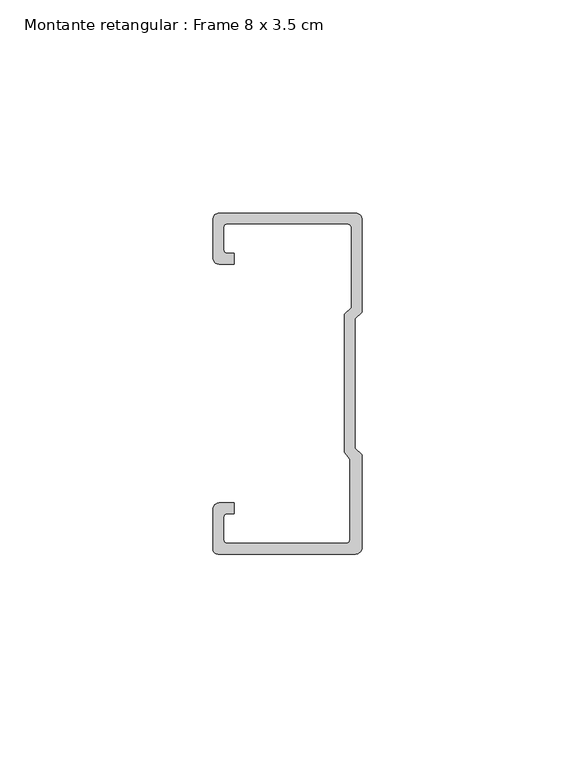
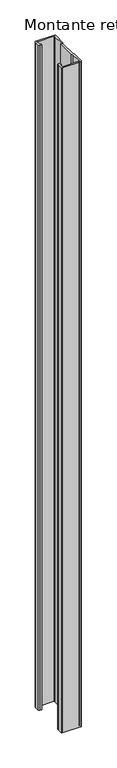
"""IFC4 building model written with IfcOpenShell, lengths in millimetres: member geometry, Montante retangular : Frame 8 x 3.5 cm."""

from ifc_helpers import new_model, si_unit, point, frame, frame_2d, origin, place, context, project, spatial, polyline, circle_curve, trimmed, segment, composite_curve, outline, extrude, source, transform, mapped, element, save


def montante_retangular_frame_8_x_3_5_cm_f2111180(model_context):
    return source(origin(), model_context, "Body", "SweptSolid", [
        extrude(outline(composite_curve([segment(polyline([(-35.0, 29.5276505), (-35.0, 38.5)]), True, "CONTINUOUS"), segment(trimmed(circle_curve(frame_2d((-33.5, 38.5)), 1.5), [point((-35.0, 38.5))], [point((-33.5, 40.0))], False, "CARTESIAN"), True, "CONTINUOUS"), segment(polyline([(-33.5, 40.0), (-1.5, 40.0)]), True, "CONTINUOUS"), segment(trimmed(circle_curve(frame_2d((-1.5, 38.5)), 1.5), [point((-1.5, 40.0))], [point((0.0, 38.5))], False, "CARTESIAN"), True, "CONTINUOUS"), segment(polyline([(0.0, 38.5), (0.0, 16.7622662), (-1.5877131, 15.174553), (-1.5877131, -15.174553), (0.0, -16.7622662), (0.0, -38.5)]), True, "CONTINUOUS"), segment(trimmed(circle_curve(frame_2d((-1.5, -38.5)), 1.5), [point((0.0, -38.5))], [point((-1.5, -40.0))], False, "CARTESIAN"), True, "CONTINUOUS"), segment(polyline([(-1.5, -40.0), (-33.8171833, -40.0)]), True, "CONTINUOUS"), segment(trimmed(circle_curve(frame_2d((-33.8171833, -38.8171833)), 1.1828167), [point((-33.8171833, -40.0))], [point((-35.0, -38.8171833))], False, "CARTESIAN"), True, "CONTINUOUS"), segment(polyline([(-35.0, -38.8171833), (-35.0, -29.5276505)]), True, "CONTINUOUS"), segment(trimmed(circle_curve(frame_2d((-33.5, -29.5276505)), 1.5), [point((-35.0, -29.5276505))], [point((-33.5, -28.0276505))], False, "CARTESIAN"), True, "CONTINUOUS"), segment(polyline([(-33.5, -28.0276505), (-30.0162256, -28.0276505), (-30.0162256, -30.5276505), (-31.5, -30.5276505)]), True, "CONTINUOUS"), segment(trimmed(circle_curve(frame_2d((-31.5, -31.5276505)), 1.0), [point((-31.5, -30.5276505))], [point((-32.5, -31.5276505))], True, "CARTESIAN"), True, "CONTINUOUS"), segment(polyline([(-32.5, -31.5276505), (-32.5, -36.5)]), True, "CONTINUOUS"), segment(trimmed(circle_curve(frame_2d((-31.5, -36.5)), 1.0), [point((-32.5, -36.5))], [point((-31.5, -37.5))], True, "CARTESIAN"), True, "CONTINUOUS"), segment(polyline([(-31.5, -37.5), (-3.807214, -37.5)]), True, "CONTINUOUS"), segment(trimmed(circle_curve(frame_2d((-3.807214, -36.5)), 1.0), [point((-3.807214, -37.5))], [point((-2.807214, -36.5))], True, "CARTESIAN"), True, "CONTINUOUS"), segment(polyline([(-2.807214, -36.5), (-2.807214, -17.7671948), (-4.0877131, -16.1794816), (-4.0877131, 16.2100869), (-2.5, 17.7978001), (-2.5, 36.5)]), True, "CONTINUOUS"), segment(trimmed(circle_curve(frame_2d((-3.5, 36.5)), 1.0), [point((-2.5, 36.5))], [point((-3.5, 37.5))], True, "CARTESIAN"), True, "CONTINUOUS"), segment(polyline([(-3.5, 37.5), (-31.5, 37.5)]), True, "CONTINUOUS"), segment(trimmed(circle_curve(frame_2d((-31.5, 36.5)), 1.0), [point((-31.5, 37.5))], [point((-32.5, 36.5))], True, "CARTESIAN"), True, "CONTINUOUS"), segment(polyline([(-32.5, 36.5), (-32.5, 31.5276505)]), True, "CONTINUOUS"), segment(trimmed(circle_curve(frame_2d((-31.5, 31.5276505)), 1.0), [point((-32.5, 31.5276505))], [point((-31.5, 30.5276505))], True, "CARTESIAN"), True, "CONTINUOUS"), segment(polyline([(-31.5, 30.5276505), (-30.0162256, 30.5276505), (-30.0162256, 28.0276505), (-33.5, 28.0276505)]), True, "CONTINUOUS"), segment(trimmed(circle_curve(frame_2d((-33.5, 29.5276505)), 1.5), [point((-33.5, 28.0276505))], [point((-35.0, 29.5276505))], False, "CARTESIAN"), True, "CONTINUOUS")], self_intersect=False)), frame((0.0, 0.0, -1217.5), z_axis=(0.0, 0.0, 1.0), x_axis=(1.0, 0.0, 0.0)), (0.0, 0.0, 1.0), 1217.5),
    ])


if __name__ == "__main__":
    model = new_model("IFC4")
    model_context = context("Model", 3, world=origin())
    ifc_project = project(units=[si_unit("LENGTHUNIT", "METRE", prefix="MILLI")], contexts=[model_context])
    site = spatial("IfcSite", under=ifc_project)
    building = spatial("IfcBuilding", under=site)
    placement = place(None, origin())
    montante_retangular_frame_8_x_3_5_cm_shape = montante_retangular_frame_8_x_3_5_cm_f2111180(model_context)
    element("IfcMember", 1, ObjectType="Montante retangular : Frame 8 x 3.5 cm", at=placement, inside=building, context=model_context, shape_type="MappedRepresentation", body=[
        mapped(montante_retangular_frame_8_x_3_5_cm_shape, transform((0.0, 0.0, 0.0), x_axis=(1.0, 0.0, 0.0), y_axis=(0.0, 1.0, 0.0), z_axis=(0.0, 0.0, 1.0))),
    ])
    save(model, "model.ifc")
